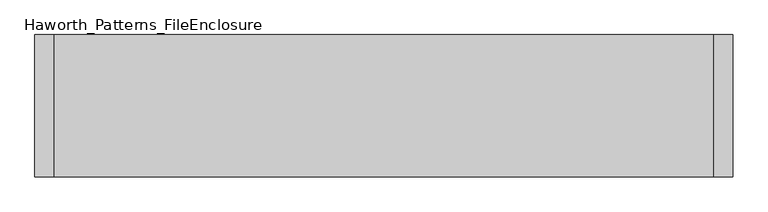
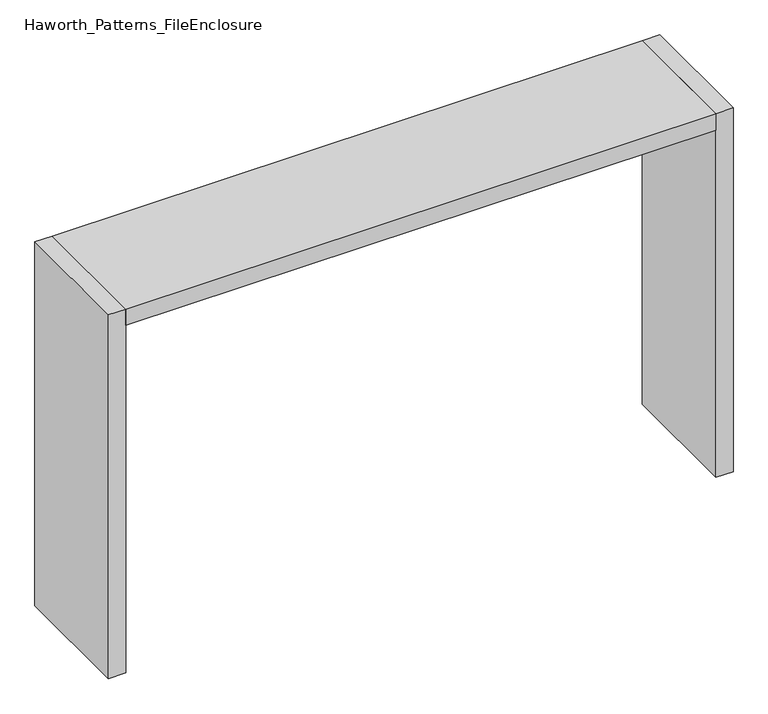
"""IFC4 building model written with IfcOpenShell, lengths in millimetres: furniture geometry, Haworth_Patterns_FileEnclosure."""

import ifcopenshell
import ifcopenshell.guid

model = None  # the IFC model being written
_history = None  # IfcOwnerHistory: only IFC2X3 demands one
_inside = {}  # id of a spatial element -> (the spatial element, [elements in it])
_under = {}  # id of a project, library or spatial element -> (it, [spatial elements below it])
_declared = {}  # id of a project -> (the project, [libraries it declares])
_typed = {}  # id of a type object -> (the type object, [elements of that type])
_made_of = {}  # id of a material, layer set ... -> (it, [elements and type objects made of it])


def new_model(schema):
    """Start an empty IFC model of exactly this schema.

    Asked for "IFC4X3", IfcOpenShell would pick the latest addendum, in which some entities
    have other attributes; the version numbers below select the first issue.
    IFC2X3 requires an IfcOwnerHistory on every rooted entity: one is made here for all.
    """
    global model, _history
    if schema == "IFC4X3":
        model = ifcopenshell.file(schema_version=(4, 3, 0, 0))
    else:
        model = ifcopenshell.file(schema=schema)
    _inside.clear()
    _under.clear()
    _declared.clear()
    _typed.clear()
    _made_of.clear()
    _history = None
    if model.schema == "IFC2X3":
        org = make("IfcOrganization", Name="unknown")
        user = make(
            "IfcPersonAndOrganization",
            ThePerson=make("IfcPerson", FamilyName="unknown"),
            TheOrganization=org,
        )
        app = make(
            "IfcApplication",
            ApplicationDeveloper=org,
            Version="unknown",
            ApplicationFullName="unknown",
            ApplicationIdentifier="unknown",
        )
        _history = make(
            "IfcOwnerHistory",
            OwningUser=user,
            OwningApplication=app,
            ChangeAction="ADDED",
            CreationDate=0,
        )
    return model


def make(cls, **values):
    """One entity of the class cls with the attributes given. An attribute that is None is left unset."""
    return model.create_entity(
        cls, **{name: value for name, value in values.items() if value is not None}
    )


def rooted(cls, **values):
    """An entity with a GlobalId (a new one), such as an element, a storey or a relation."""
    return make(cls, GlobalId=ifcopenshell.guid.new(), OwnerHistory=_history, **values)


def si_unit(unit_type, name, prefix=None):
    """IfcSIUnit, for example si_unit("LENGTHUNIT", "METRE", prefix="MILLI")."""
    return make("IfcSIUnit", UnitType=unit_type, Prefix=prefix, Name=name)


def assignment(units):
    """IfcUnitAssignment: the units of a project."""
    return None if units is None else make("IfcUnitAssignment", Units=units)


def point(xyz):
    """IfcCartesianPoint."""
    return None if xyz is None else make("IfcCartesianPoint", Coordinates=xyz)


def direction(xyz):
    """IfcDirection."""
    return None if xyz is None else make("IfcDirection", DirectionRatios=xyz)


def frame(location, z_axis=None, x_axis=None):
    """IfcAxis2Placement3D, a coordinate frame: its origin and axes. An axis left out is left unset."""
    return make(
        "IfcAxis2Placement3D",
        Location=point(location),
        Axis=direction(z_axis),
        RefDirection=direction(x_axis),
    )


def origin():
    """The frame at (0, 0, 0) with its axes left unset."""
    return frame((0.0, 0.0, 0.0))


def origin_with_axes():
    """The frame at (0, 0, 0) with the z axis (0, 0, 1) and the x axis (1, 0, 0) written out."""
    return frame((0.0, 0.0, 0.0), z_axis=(0.0, 0.0, 1.0), x_axis=(1.0, 0.0, 0.0))


def place(relative_to, where):
    """IfcLocalPlacement: puts the frame where relative to a parent placement (None: the world)."""
    return make(
        "IfcLocalPlacement", PlacementRelTo=relative_to, RelativePlacement=where
    )


def context(
    kind, dimensions, precision=None, world=None, true_north=None, identifier=None
):
    """IfcGeometricRepresentationContext, for example the 3D "Model" context."""
    return make(
        "IfcGeometricRepresentationContext",
        ContextIdentifier=identifier,
        ContextType=kind,
        CoordinateSpaceDimension=dimensions,
        Precision=precision,
        WorldCoordinateSystem=world,
        TrueNorth=true_north,
    )


def project(units=None, contexts=None):
    """IfcProject with its units and contexts."""
    return rooted(
        "IfcProject",
        Name="project",
        RepresentationContexts=contexts,
        UnitsInContext=assignment(units),
    )


def spatial(cls, under=None, at=None, **own):
    """A site, building, storey or space (cls), placed at a placement, below another one or the project."""
    s = rooted(cls, ObjectPlacement=at, **own)
    if under is not None:
        _under.setdefault(under.id(), (under, []))[1].append(s)
    return s


def polyline(points):
    """IfcPolyline through the points."""
    return make("IfcPolyline", Points=[point(p) for p in points])


def outline(outer, holes=None, kind="AREA"):
    """IfcArbitraryClosedProfileDef: a profile drawn as a closed curve; with holes, ...WithVoids."""
    if holes is None:
        return make("IfcArbitraryClosedProfileDef", ProfileType=kind, OuterCurve=outer)
    return make(
        "IfcArbitraryProfileDefWithVoids",
        ProfileType=kind,
        OuterCurve=outer,
        InnerCurves=holes,
    )


def extrude(swept, where, along, depth):
    """IfcExtrudedAreaSolid: the profile swept, set in the frame where, extruded along a direction by depth."""
    return make(
        "IfcExtrudedAreaSolid",
        SweptArea=swept,
        Position=where,
        ExtrudedDirection=direction(along),
        Depth=depth,
    )


def shape(context_of_items, identifier, shape_type, items):
    """IfcShapeRepresentation: the items that make up one representation, for example the "Body"."""
    return make(
        "IfcShapeRepresentation",
        ContextOfItems=context_of_items,
        RepresentationIdentifier=identifier,
        RepresentationType=shape_type,
        Items=items,
    )


def source(mapping_origin, context_of_items, identifier, shape_type, items):
    """IfcRepresentationMap: a shape defined once, which mapped items show again and again."""
    return make(
        "IfcRepresentationMap",
        MappingOrigin=mapping_origin,
        MappedRepresentation=shape(context_of_items, identifier, shape_type, items),
    )


def transform(
    local_origin,
    x_axis=None,
    y_axis=None,
    z_axis=None,
    scale=None,
    scale2=None,
    scale3=None,
    uniform=True,
):
    """IfcCartesianTransformationOperator3D, or its non-uniform kind. x_axis, y_axis, z_axis: its Axis1, 2, 3."""
    if uniform:
        return make(
            "IfcCartesianTransformationOperator3D",
            Axis1=direction(x_axis),
            Axis2=direction(y_axis),
            LocalOrigin=point(local_origin),
            Scale=scale,
            Axis3=direction(z_axis),
        )
    return make(
        "IfcCartesianTransformationOperator3DnonUniform",
        Axis1=direction(x_axis),
        Axis2=direction(y_axis),
        LocalOrigin=point(local_origin),
        Scale=scale,
        Axis3=direction(z_axis),
        Scale2=scale2,
        Scale3=scale3,
    )


def mapped(mapping_source, mapping_target):
    """IfcMappedItem: shows the shape of a source again, moved by a transform."""
    return make(
        "IfcMappedItem", MappingSource=mapping_source, MappingTarget=mapping_target
    )


def made_of(thing, what):
    """Note that an element or type object is made of a material, layer set ...; save() writes the relation."""
    if what is not None:
        _made_of.setdefault(what.id(), (what, []))[1].append(thing)
    return thing


def element(
    cls,
    number,
    at=None,
    inside=None,
    cuts=None,
    type_object=None,
    material=None,
    context=None,
    identifier="Body",
    shape_type=None,
    held_by="IfcProductDefinitionShape",
    body=None,
    shapes=None,
    **own,
):
    """One element of the class cls, such as IfcWall. Its Tag is "e" and its number.

    at: its placement. inside: the storey or other place that contains it. cuts: it is an
    opening in that element (IfcRelVoidsElement). A single representation is given by context,
    identifier, shape_type and body (its items); several are given by shapes. held_by: the class
    of the entity that holds the representations. save() writes the other relations.
    """
    e = rooted(cls, Tag="e%d" % number, ObjectPlacement=at, **own)
    if body is not None:
        shapes = [shape(context, identifier, shape_type, body)]
    if shapes is not None:
        e.Representation = make(held_by, Representations=shapes)
    if inside is not None:
        _inside.setdefault(inside.id(), (inside, []))[1].append(e)
    if cuts is not None:
        rooted(
            "IfcRelVoidsElement", RelatingBuildingElement=cuts, RelatedOpeningElement=e
        )
    if type_object is not None:
        _typed.setdefault(type_object.id(), (type_object, []))[1].append(e)
    return made_of(e, material)


def aggregate(whole, parts):
    """IfcRelAggregates: a whole, such as a stair, and the parts it consists of."""
    return rooted("IfcRelAggregates", RelatingObject=whole, RelatedObjects=parts)


def save(model, path):
    """Write the relations noted so far, then the file.

    IfcRelAggregates (storeys below a building ...), IfcRelContainedInSpatialStructure (elements
    in a storey), IfcRelDefinesByType, IfcRelAssociatesMaterial and IfcRelDeclares: one each for
    every whole, place, type object, material and project.
    """
    for whole, parts in _under.values():
        aggregate(whole, parts)
    for where, things in _inside.values():
        rooted(
            "IfcRelContainedInSpatialStructure",
            RelatedElements=things,
            RelatingStructure=where,
        )
    for kind, things in _typed.values():
        rooted("IfcRelDefinesByType", RelatedObjects=things, RelatingType=kind)
    for what, things in _made_of.values():
        rooted("IfcRelAssociatesMaterial", RelatedObjects=things, RelatingMaterial=what)
    for by, libraries in _declared.values():
        rooted("IfcRelDeclares", RelatingContext=by, RelatedDefinitions=libraries)
    model.write(path)


def haworth_patterns_fileenclosure_25316d7c(model_context):
    return source(origin(), model_context, "Body", "SweptSolid", [
        extrude(outline(polyline([(1295.4, 0.0), (1295.4, -558.8), (-1295.4, -558.8), (-1295.4, 0.0), (1295.4, 0.0)])), frame((0.0, 0.0, 1612.9), z_axis=(0.0, 0.0, 1.0), x_axis=(1.0, 0.0, 0.0)), (0.0, 0.0, 1.0), 76.2),
        extrude(outline(polyline([(1295.4, 0.0), (1371.6, 0.0), (1371.6, -558.8), (1295.4, -558.8), (1295.4, 0.0)])), origin_with_axes(), (0.0, 0.0, 1.0), 1689.1),
        extrude(outline(polyline([(-1295.4, 0.0), (-1295.4, -558.8), (-1371.6, -558.8), (-1371.6, 0.0), (-1295.4, 0.0)])), origin_with_axes(), (0.0, 0.0, 1.0), 1689.1),
    ])


if __name__ == "__main__":
    model = new_model("IFC4")
    model_context = context("Model", 3, world=origin())
    ifc_project = project(units=[si_unit("LENGTHUNIT", "METRE", prefix="MILLI")], contexts=[model_context])
    site = spatial("IfcSite", under=ifc_project)
    building = spatial("IfcBuilding", under=site)
    placement = place(None, origin())
    haworth_patterns_fileenclosure_shape = haworth_patterns_fileenclosure_25316d7c(model_context)
    element("IfcFurniture", 1, ObjectType="Haworth_Patterns_FileEnclosure", at=placement, inside=building, context=model_context, shape_type="MappedRepresentation", body=[
        mapped(haworth_patterns_fileenclosure_shape, transform((0.0, 0.0, 0.0), x_axis=(1.0, 0.0, 0.0), y_axis=(0.0, 1.0, 0.0), z_axis=(0.0, 0.0, 1.0))),
    ])
    save(model, "model.ifc")
